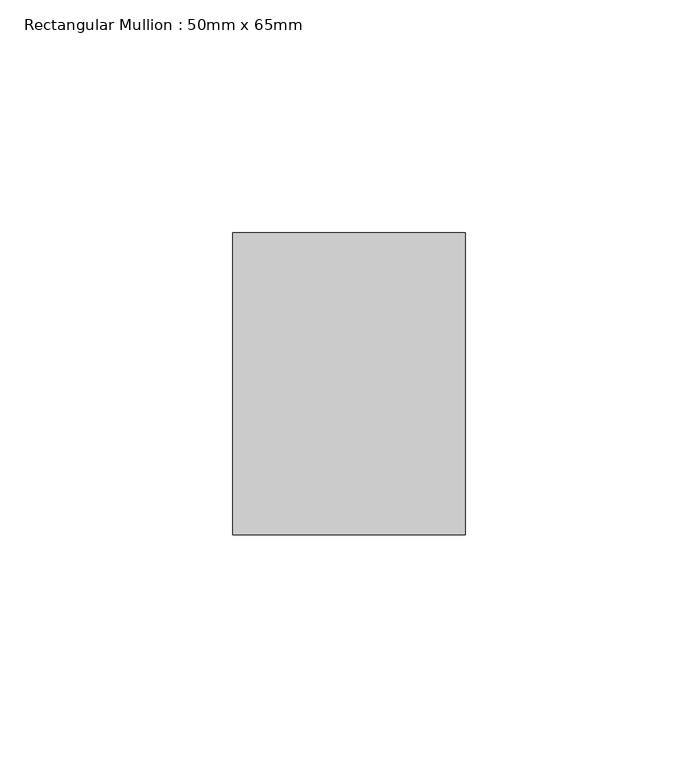
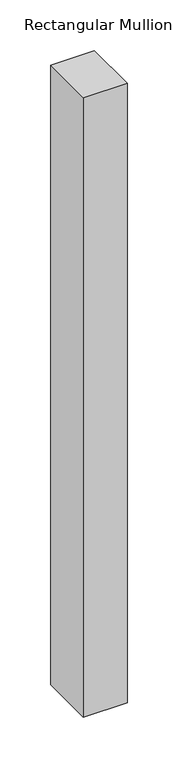
"""IFC4 building model written with IfcOpenShell, lengths in millimetres: member geometry, Rectangular Mullion : 50mm x 65mm."""

from ifc_helpers import new_model, si_unit, frame, origin, place, context, project, spatial, polyline, outline, extrude, source, transform, mapped, element, save


def rectangular_mullion_50mm_x_65mm_18264d0f(model_context):
    return source(origin(), model_context, "Body", "SweptSolid", [
        extrude(outline(polyline([(25.0, 32.5), (25.0, -32.5), (-25.0, -32.5), (-25.0, 32.5), (25.0, 32.5)])), frame((0.0, 0.0, -748.3579737), z_axis=(0.0, 0.0, 1.0), x_axis=(1.0, 0.0, 0.0)), (0.0, 0.0, 1.0), 748.3579737),
    ])


if __name__ == "__main__":
    model = new_model("IFC4")
    model_context = context("Model", 3, world=origin())
    ifc_project = project(units=[si_unit("LENGTHUNIT", "METRE", prefix="MILLI")], contexts=[model_context])
    site = spatial("IfcSite", under=ifc_project)
    building = spatial("IfcBuilding", under=site)
    placement = place(None, origin())
    rectangular_mullion_50mm_x_65mm_shape = rectangular_mullion_50mm_x_65mm_18264d0f(model_context)
    element("IfcMember", 1, ObjectType="Rectangular Mullion : 50mm x 65mm", at=placement, inside=building, context=model_context, shape_type="MappedRepresentation", body=[
        mapped(rectangular_mullion_50mm_x_65mm_shape, transform((0.0, 0.0, 0.0), x_axis=(1.0, 0.0, 0.0), y_axis=(0.0, 1.0, 0.0), z_axis=(0.0, 0.0, 1.0))),
    ])
    save(model, "model.ifc")
